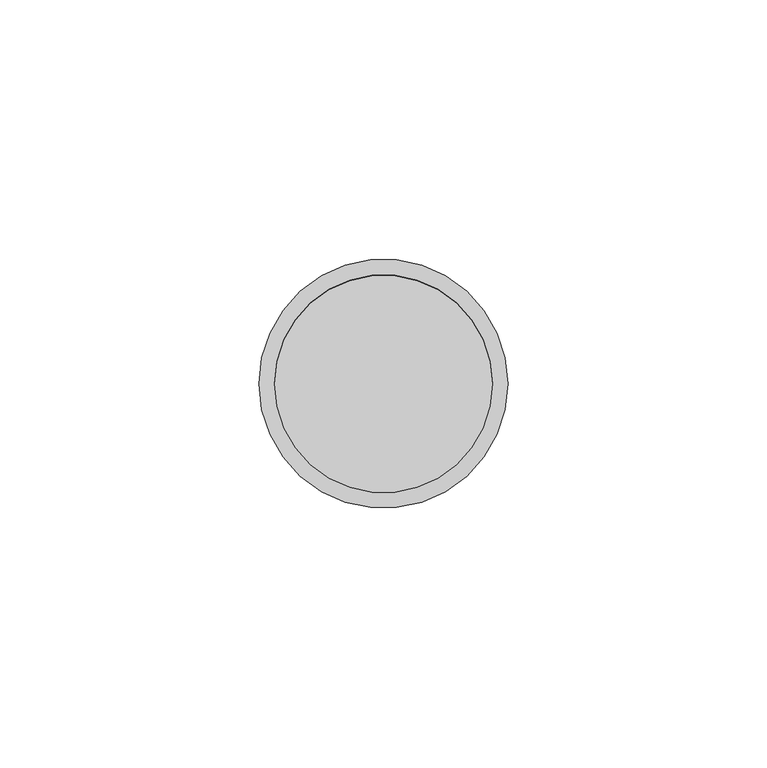
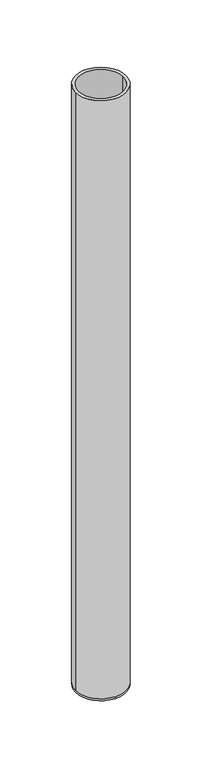
"""IFC4 building model written with IfcOpenShell, lengths in millimetres: beam geometry."""

from ifc_helpers import new_model, si_unit, frame, origin, place, context, project, spatial, polyline, circle_curve, source, transform, mapped, element, save
from ifc_brep_helpers import plane_surface, cylinder_surface, revolved_surface, advanced_brep


def beam_faad90bd(model_context):
    return source(origin(), model_context, "Body", "AdvancedBrep", [
        advanced_brep(
        [(24.0, 0.0, 0.0), (-24.0, 0.0, 0.0), (21.0, 0.0, 0.0), (-21.0, 0.0, 0.0), (21.0, 0.0, -598.0), (-21.0, 0.0, -598.0), (24.0, 0.0, -598.0), (0.0, 24.0, -598.0), (-24.0, 0.0, -598.0), (0.0, -24.0, -598.0), (0.0, 24.0, -600.0), (0.0, -24.0, -600.0)],
        [
            (0, 1, circle_curve(frame((0.0, 0.0, 0.0), z_axis=(0.0, 0.0, 1.0), x_axis=(-1.0, 0.0, 0.0)), 24.0)),
            (1, 0, circle_curve(frame((0.0, 0.0, 0.0), z_axis=(0.0, 0.0, 1.0), x_axis=(-1.0, 0.0, 0.0)), 24.0)),
            (2, 3, circle_curve(frame((0.0, 0.0, 0.0), z_axis=(0.0, 0.0, -1.0), x_axis=(-1.0, 0.0, 0.0)), 21.0)),
            (3, 2, circle_curve(frame((0.0, 0.0, 0.0), z_axis=(0.0, 0.0, -1.0), x_axis=(-1.0, 0.0, 0.0)), 21.0)),
            (2, 4),
            (4, 5, circle_curve(frame((0.0, 0.0, -598.0), z_axis=(0.0, 0.0, -1.0), x_axis=(-1.0, 0.0, 0.0)), 21.0)),
            (5, 3),
            (5, 4, circle_curve(frame((0.0, 0.0, -598.0), z_axis=(0.0, 0.0, -1.0), x_axis=(-1.0, 0.0, 0.0)), 21.0)),
            (0, 6),
            (6, 7, circle_curve(frame((0.0, 0.0, -598.0), z_axis=(0.0, 0.0, 1.0), x_axis=(-1.0, 0.0, 0.0)), 24.0)),
            (7, 8, circle_curve(frame((0.0, 0.0, -598.0), z_axis=(0.0, 0.0, 1.0), x_axis=(-1.0, 0.0, 0.0)), 24.0)),
            (8, 1),
            (8, 9, circle_curve(frame((0.0, 0.0, -598.0), z_axis=(0.0, 0.0, 1.0), x_axis=(-1.0, 0.0, 0.0)), 24.0)),
            (9, 6, circle_curve(frame((0.0, 0.0, -598.0), z_axis=(0.0, 0.0, 1.0), x_axis=(-1.0, 0.0, 0.0)), 24.0)),
            (10, 11, circle_curve(frame((0.0, 0.0, -600.0), z_axis=(0.0, 0.0, -1.0), x_axis=(0.0, -1.0, 0.0)), 24.0)),
            (11, 10, circle_curve(frame((0.0, 0.0, -600.0), z_axis=(0.0, 0.0, -1.0), x_axis=(0.0, -1.0, 0.0)), 24.0)),
            (11, 9),
            (7, 10),
        ],
        [
            plane_surface(frame((0.0, 0.0, 0.0), z_axis=(0.0, 0.0, 1.0), x_axis=(0.0, -1.0, 0.0))),
            revolved_surface(polyline([(-21.0, 0.0, 0.0), (-21.0, 0.0, -598.0)]), (0.0, 0.0, -598.0), (0.0, 0.0, 1.0)),
            cylinder_surface(frame((0.0, 0.0, -598.0), z_axis=(0.0, 0.0, -1.0), x_axis=(-1.0, 0.0, 0.0)), 24.0),
            plane_surface(frame((0.0, 0.0, -598.0), z_axis=(0.0, 0.0, 1.0), x_axis=(0.0, -1.0, 0.0))),
            plane_surface(frame((0.0, 0.0, -600.0), z_axis=(0.0, 0.0, -1.0), x_axis=(0.0, -1.0, 0.0))),
            cylinder_surface(frame((0.0, 0.0, -598.0), z_axis=(0.0, 0.0, 1.0), x_axis=(0.0, -1.0, 0.0)), 24.0),
        ],
        [
            (0, [[1, 2], [3, 4]]),
            (1, [[-3, 5, 6, 7]]),
            (1, [[-4, -7, 8, -5]]),
            (2, [[-1, 9, 10, 11, 12]]),
            (2, [[-2, -12, 13, 14, -9]]),
            (3, [[-6, -8]]),
            (4, [[15, 16]]),
            (5, [[-16, 17, -13, -11, 18]]),
            (5, [[-15, -18, -10, -14, -17]]),
        ],
    ),
    ])


if __name__ == "__main__":
    model = new_model("IFC4")
    model_context = context("Model", 3, world=origin())
    ifc_project = project(units=[si_unit("LENGTHUNIT", "METRE", prefix="MILLI")], contexts=[model_context])
    site = spatial("IfcSite", under=ifc_project)
    building = spatial("IfcBuilding", under=site)
    placement = place(None, origin())
    beam_shape = beam_faad90bd(model_context)
    element("IfcBeam", 1, at=placement, inside=building, context=model_context, shape_type="MappedRepresentation", body=[
        mapped(beam_shape, transform((0.0, 0.0, 0.0), x_axis=(1.0, 0.0, 0.0), y_axis=(0.0, 1.0, 0.0), z_axis=(0.0, 0.0, 1.0))),
    ])
    save(model, "model.ifc")
